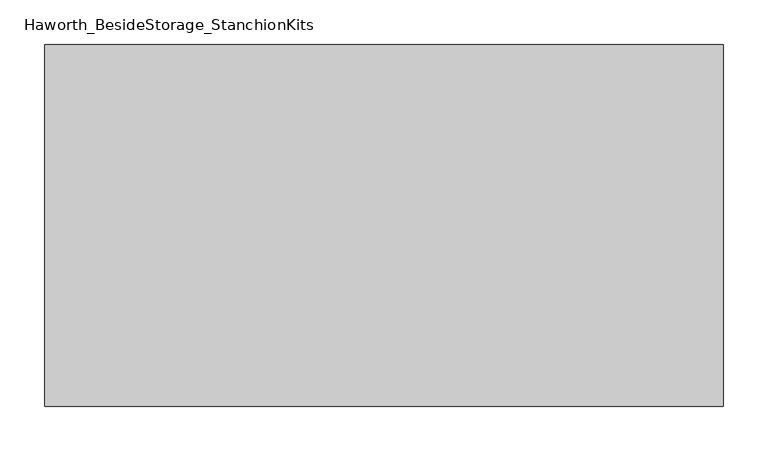
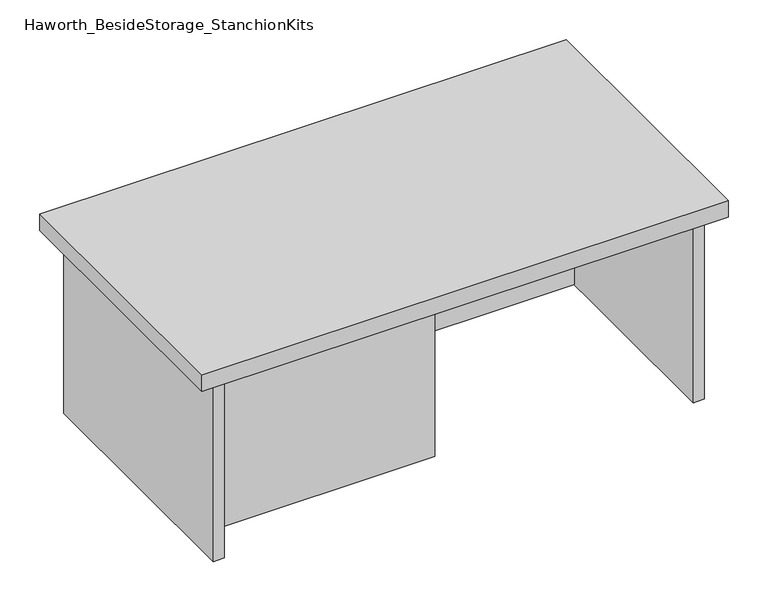
"""IFC4 building model written with IfcOpenShell, lengths in millimetres: furniture geometry, Haworth_BesideStorage_StanchionKits."""

from ifc_helpers import new_model, si_unit, frame, origin, place, context, project, spatial, polyline, outline, extrude, source, transform, mapped, element, save


def haworth_besidestorage_stanchionkits_44397a62(model_context):
    return source(origin(), model_context, "Body", "SweptSolid", [
        extrude(outline(polyline([(542.925, 0.0), (542.925, -406.4), (-219.075, -406.4), (-219.075, 0.0), (542.925, 0.0)])), frame((0.0, 0.0, 711.2), z_axis=(0.0, 0.0, 1.0), x_axis=(1.0, 0.0, 0.0)), (0.0, 0.0, 1.0), 25.4),
        extrude(outline(polyline([(161.925, -76.2), (501.65, -76.2), (501.65, -92.075), (161.925, -92.075), (161.925, -76.2)])), frame((0.0, 0.0, 431.8), z_axis=(0.0, 0.0, 1.0), x_axis=(1.0, 0.0, 0.0)), (0.0, 0.0, 1.0), 279.4),
        extrude(outline(polyline([(161.925, -314.325), (161.925, -330.2), (-177.8, -330.2), (-177.8, -314.325), (161.925, -314.325)])), frame((0.0, 0.0, 431.8), z_axis=(0.0, 0.0, 1.0), x_axis=(1.0, 0.0, 0.0)), (0.0, 0.0, 1.0), 279.4),
        extrude(outline(polyline([(517.525, -390.525), (501.65, -390.525), (501.65, -15.875), (517.525, -15.875), (517.525, -390.525)])), frame((0.0, 0.0, 431.8), z_axis=(0.0, 0.0, 1.0), x_axis=(1.0, 0.0, 0.0)), (0.0, 0.0, 1.0), 279.4),
        extrude(outline(polyline([(-177.8, -390.525), (-193.675, -390.525), (-193.675, -15.875), (-177.8, -15.875), (-177.8, -390.525)])), frame((0.0, 0.0, 431.8), z_axis=(0.0, 0.0, 1.0), x_axis=(1.0, 0.0, 0.0)), (0.0, 0.0, 1.0), 279.4),
    ])


if __name__ == "__main__":
    model = new_model("IFC4")
    model_context = context("Model", 3, world=origin())
    ifc_project = project(units=[si_unit("LENGTHUNIT", "METRE", prefix="MILLI")], contexts=[model_context])
    site = spatial("IfcSite", under=ifc_project)
    building = spatial("IfcBuilding", under=site)
    placement = place(None, origin())
    haworth_besidestorage_stanchionkits_shape = haworth_besidestorage_stanchionkits_44397a62(model_context)
    element("IfcFurniture", 1, ObjectType="Haworth_BesideStorage_StanchionKits", at=placement, inside=building, context=model_context, shape_type="MappedRepresentation", body=[
        mapped(haworth_besidestorage_stanchionkits_shape, transform((0.0, 0.0, 0.0), x_axis=(1.0, 0.0, 0.0), y_axis=(0.0, 1.0, 0.0), z_axis=(0.0, 0.0, 1.0))),
    ])
    save(model, "model.ifc")
